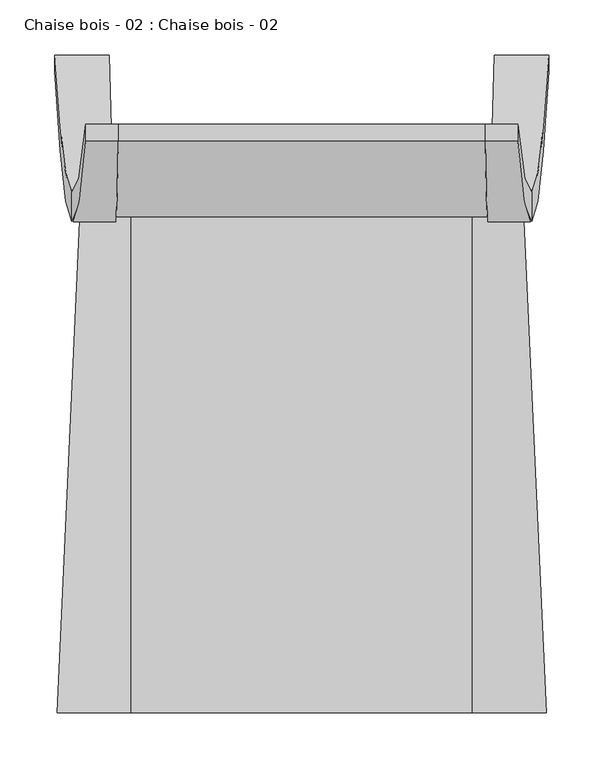
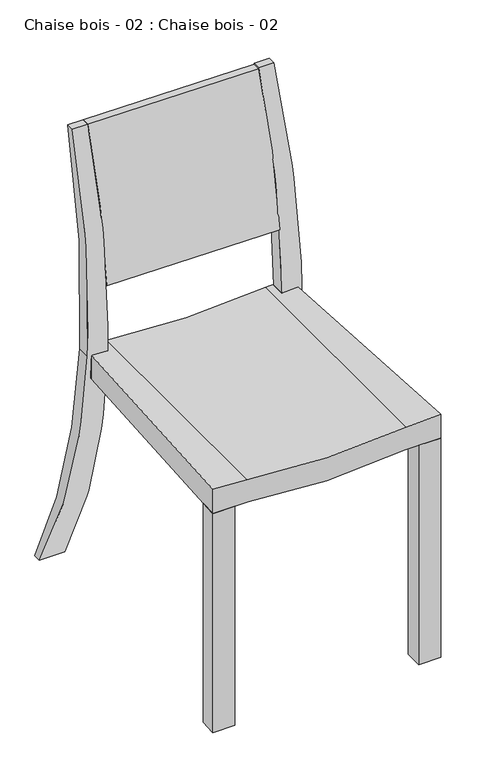
"""IFC4 building model written with IfcOpenShell, lengths in millimetres: furniture geometry, Chaise bois - 02 : Chaise bois - 02."""

import ifcopenshell
import ifcopenshell.guid

model = None  # the IFC model being written
_history = None  # IfcOwnerHistory: only IFC2X3 demands one
_inside = {}  # id of a spatial element -> (the spatial element, [elements in it])
_under = {}  # id of a project, library or spatial element -> (it, [spatial elements below it])
_declared = {}  # id of a project -> (the project, [libraries it declares])
_typed = {}  # id of a type object -> (the type object, [elements of that type])
_made_of = {}  # id of a material, layer set ... -> (it, [elements and type objects made of it])


def new_model(schema):
    """Start an empty IFC model of exactly this schema.

    Asked for "IFC4X3", IfcOpenShell would pick the latest addendum, in which some entities
    have other attributes; the version numbers below select the first issue.
    IFC2X3 requires an IfcOwnerHistory on every rooted entity: one is made here for all.
    """
    global model, _history
    if schema == "IFC4X3":
        model = ifcopenshell.file(schema_version=(4, 3, 0, 0))
    else:
        model = ifcopenshell.file(schema=schema)
    _inside.clear()
    _under.clear()
    _declared.clear()
    _typed.clear()
    _made_of.clear()
    _history = None
    if model.schema == "IFC2X3":
        org = make("IfcOrganization", Name="unknown")
        user = make(
            "IfcPersonAndOrganization",
            ThePerson=make("IfcPerson", FamilyName="unknown"),
            TheOrganization=org,
        )
        app = make(
            "IfcApplication",
            ApplicationDeveloper=org,
            Version="unknown",
            ApplicationFullName="unknown",
            ApplicationIdentifier="unknown",
        )
        _history = make(
            "IfcOwnerHistory",
            OwningUser=user,
            OwningApplication=app,
            ChangeAction="ADDED",
            CreationDate=0,
        )
    return model


def make(cls, **values):
    """One entity of the class cls with the attributes given. An attribute that is None is left unset."""
    return model.create_entity(
        cls, **{name: value for name, value in values.items() if value is not None}
    )


def rooted(cls, **values):
    """An entity with a GlobalId (a new one), such as an element, a storey or a relation."""
    return make(cls, GlobalId=ifcopenshell.guid.new(), OwnerHistory=_history, **values)


def si_unit(unit_type, name, prefix=None):
    """IfcSIUnit, for example si_unit("LENGTHUNIT", "METRE", prefix="MILLI")."""
    return make("IfcSIUnit", UnitType=unit_type, Prefix=prefix, Name=name)


def assignment(units):
    """IfcUnitAssignment: the units of a project."""
    return None if units is None else make("IfcUnitAssignment", Units=units)


def point(xyz):
    """IfcCartesianPoint."""
    return None if xyz is None else make("IfcCartesianPoint", Coordinates=xyz)


def direction(xyz):
    """IfcDirection."""
    return None if xyz is None else make("IfcDirection", DirectionRatios=xyz)


def frame(location, z_axis=None, x_axis=None):
    """IfcAxis2Placement3D, a coordinate frame: its origin and axes. An axis left out is left unset."""
    return make(
        "IfcAxis2Placement3D",
        Location=point(location),
        Axis=direction(z_axis),
        RefDirection=direction(x_axis),
    )


def origin():
    """The frame at (0, 0, 0) with its axes left unset."""
    return frame((0.0, 0.0, 0.0))


def origin_with_axes():
    """The frame at (0, 0, 0) with the z axis (0, 0, 1) and the x axis (1, 0, 0) written out."""
    return frame((0.0, 0.0, 0.0), z_axis=(0.0, 0.0, 1.0), x_axis=(1.0, 0.0, 0.0))


def place(relative_to, where):
    """IfcLocalPlacement: puts the frame where relative to a parent placement (None: the world)."""
    return make(
        "IfcLocalPlacement", PlacementRelTo=relative_to, RelativePlacement=where
    )


def context(
    kind, dimensions, precision=None, world=None, true_north=None, identifier=None
):
    """IfcGeometricRepresentationContext, for example the 3D "Model" context."""
    return make(
        "IfcGeometricRepresentationContext",
        ContextIdentifier=identifier,
        ContextType=kind,
        CoordinateSpaceDimension=dimensions,
        Precision=precision,
        WorldCoordinateSystem=world,
        TrueNorth=true_north,
    )


def project(units=None, contexts=None):
    """IfcProject with its units and contexts."""
    return rooted(
        "IfcProject",
        Name="project",
        RepresentationContexts=contexts,
        UnitsInContext=assignment(units),
    )


def spatial(cls, under=None, at=None, **own):
    """A site, building, storey or space (cls), placed at a placement, below another one or the project."""
    s = rooted(cls, ObjectPlacement=at, **own)
    if under is not None:
        _under.setdefault(under.id(), (under, []))[1].append(s)
    return s


def polyline(points):
    """IfcPolyline through the points."""
    return make("IfcPolyline", Points=[point(p) for p in points])


def circle_curve(where, radius):
    """IfcCircle in the frame where."""
    return make("IfcCircle", Position=where, Radius=radius)


def ellipse_curve(where, semi_axis1, semi_axis2):
    """IfcEllipse in the frame where."""
    return make(
        "IfcEllipse", Position=where, SemiAxis1=semi_axis1, SemiAxis2=semi_axis2
    )


def outline(outer, holes=None, kind="AREA"):
    """IfcArbitraryClosedProfileDef: a profile drawn as a closed curve; with holes, ...WithVoids."""
    if holes is None:
        return make("IfcArbitraryClosedProfileDef", ProfileType=kind, OuterCurve=outer)
    return make(
        "IfcArbitraryProfileDefWithVoids",
        ProfileType=kind,
        OuterCurve=outer,
        InnerCurves=holes,
    )


def extrude(swept, where, along, depth):
    """IfcExtrudedAreaSolid: the profile swept, set in the frame where, extruded along a direction by depth."""
    return make(
        "IfcExtrudedAreaSolid",
        SweptArea=swept,
        Position=where,
        ExtrudedDirection=direction(along),
        Depth=depth,
    )


def shape(context_of_items, identifier, shape_type, items):
    """IfcShapeRepresentation: the items that make up one representation, for example the "Body"."""
    return make(
        "IfcShapeRepresentation",
        ContextOfItems=context_of_items,
        RepresentationIdentifier=identifier,
        RepresentationType=shape_type,
        Items=items,
    )


def source(mapping_origin, context_of_items, identifier, shape_type, items):
    """IfcRepresentationMap: a shape defined once, which mapped items show again and again."""
    return make(
        "IfcRepresentationMap",
        MappingOrigin=mapping_origin,
        MappedRepresentation=shape(context_of_items, identifier, shape_type, items),
    )


def transform(
    local_origin,
    x_axis=None,
    y_axis=None,
    z_axis=None,
    scale=None,
    scale2=None,
    scale3=None,
    uniform=True,
):
    """IfcCartesianTransformationOperator3D, or its non-uniform kind. x_axis, y_axis, z_axis: its Axis1, 2, 3."""
    if uniform:
        return make(
            "IfcCartesianTransformationOperator3D",
            Axis1=direction(x_axis),
            Axis2=direction(y_axis),
            LocalOrigin=point(local_origin),
            Scale=scale,
            Axis3=direction(z_axis),
        )
    return make(
        "IfcCartesianTransformationOperator3DnonUniform",
        Axis1=direction(x_axis),
        Axis2=direction(y_axis),
        LocalOrigin=point(local_origin),
        Scale=scale,
        Axis3=direction(z_axis),
        Scale2=scale2,
        Scale3=scale3,
    )


def mapped(mapping_source, mapping_target):
    """IfcMappedItem: shows the shape of a source again, moved by a transform."""
    return make(
        "IfcMappedItem", MappingSource=mapping_source, MappingTarget=mapping_target
    )


def made_of(thing, what):
    """Note that an element or type object is made of a material, layer set ...; save() writes the relation."""
    if what is not None:
        _made_of.setdefault(what.id(), (what, []))[1].append(thing)
    return thing


def element(
    cls,
    number,
    at=None,
    inside=None,
    cuts=None,
    type_object=None,
    material=None,
    context=None,
    identifier="Body",
    shape_type=None,
    held_by="IfcProductDefinitionShape",
    body=None,
    shapes=None,
    **own,
):
    """One element of the class cls, such as IfcWall. Its Tag is "e" and its number.

    at: its placement. inside: the storey or other place that contains it. cuts: it is an
    opening in that element (IfcRelVoidsElement). A single representation is given by context,
    identifier, shape_type and body (its items); several are given by shapes. held_by: the class
    of the entity that holds the representations. save() writes the other relations.
    """
    e = rooted(cls, Tag="e%d" % number, ObjectPlacement=at, **own)
    if body is not None:
        shapes = [shape(context, identifier, shape_type, body)]
    if shapes is not None:
        e.Representation = make(held_by, Representations=shapes)
    if inside is not None:
        _inside.setdefault(inside.id(), (inside, []))[1].append(e)
    if cuts is not None:
        rooted(
            "IfcRelVoidsElement", RelatingBuildingElement=cuts, RelatedOpeningElement=e
        )
    if type_object is not None:
        _typed.setdefault(type_object.id(), (type_object, []))[1].append(e)
    return made_of(e, material)


def aggregate(whole, parts):
    """IfcRelAggregates: a whole, such as a stair, and the parts it consists of."""
    return rooted("IfcRelAggregates", RelatingObject=whole, RelatedObjects=parts)


def save(model, path):
    """Write the relations noted so far, then the file.

    IfcRelAggregates (storeys below a building ...), IfcRelContainedInSpatialStructure (elements
    in a storey), IfcRelDefinesByType, IfcRelAssociatesMaterial and IfcRelDeclares: one each for
    every whole, place, type object, material and project.
    """
    for whole, parts in _under.values():
        aggregate(whole, parts)
    for where, things in _inside.values():
        rooted(
            "IfcRelContainedInSpatialStructure",
            RelatedElements=things,
            RelatingStructure=where,
        )
    for kind, things in _typed.values():
        rooted("IfcRelDefinesByType", RelatedObjects=things, RelatingType=kind)
    for what, things in _made_of.values():
        rooted("IfcRelAssociatesMaterial", RelatedObjects=things, RelatingMaterial=what)
    for by, libraries in _declared.values():
        rooted("IfcRelDeclares", RelatingContext=by, RelatedDefinitions=libraries)
    model.write(path)


def plane_surface(at):
    """IfcPlane: the flat surface through the origin of the frame at, square to its z axis."""
    return make("IfcPlane", Position=at)


def cylinder_surface(at, radius):
    """IfcCylindricalSurface: all points at the distance radius from the z axis of the frame at."""
    return make("IfcCylindricalSurface", Position=at, Radius=radius)


def revolved_surface(curve, axis_point, axis_direction):
    """IfcSurfaceOfRevolution: the curve turned about the line through axis_point along axis_direction."""
    return make(
        "IfcSurfaceOfRevolution",
        SweptCurve=make("IfcArbitraryOpenProfileDef", ProfileType="CURVE", Curve=curve),
        AxisPosition=make("IfcAxis1Placement", Location=point(axis_point), Axis=direction(axis_direction)),
    )


def advanced_brep(points, edges, surfaces, faces):
    """IfcAdvancedBrep: a solid bounded by faces that lie on surfaces and meet in shared edges.

    An edge is (start, end): straight between two places in points (the first is 0);
    or (start, end, curve); or (start, end, curve, False) where it runs against its curve.
    A face is (place in surfaces, loops), or (place, loops, False) where it looks against
    its surface's normal. A loop lists edges by number (the first is 1), with a minus sign
    where the edge is run from its end to its start. The first loop is the outer one.
    """
    corners = [point(p) for p in points]
    vertices = [make("IfcVertexPoint", VertexGeometry=c) for c in corners]
    made = []
    for start, end, *more in edges:
        made.append(
            make(
                "IfcEdgeCurve",
                EdgeStart=vertices[start],
                EdgeEnd=vertices[end],
                EdgeGeometry=more[0] if more else make("IfcPolyline", Points=[corners[start], corners[end]]),
                SameSense=more[1] if len(more) > 1 else True,
            )
        )
    hull = []
    for where, loops, *sense in faces:
        bounds = []
        for j, loop in enumerate(loops):
            ring = [make("IfcOrientedEdge", EdgeElement=made[abs(k) - 1], Orientation=k > 0) for k in loop]
            bounds.append(
                make(
                    "IfcFaceOuterBound" if j == 0 else "IfcFaceBound",
                    Bound=make("IfcEdgeLoop", EdgeList=ring),
                    Orientation=True,
                )
            )
        hull.append(make("IfcAdvancedFace", Bounds=bounds, FaceSurface=surfaces[where], SameSense=sense[0] if sense else True))
    return make("IfcAdvancedBrep", Outer=make("IfcClosedShell", CfsFaces=hull))


def chaise_bois_02_chaise_bois_02_a8807d2b(model_context):
    return source(origin(), model_context, "Body", "SolidModel", [
        extrude(outline(polyline([(-179.6457845, 34.744), (-179.6457845, 0.0), (-222.6457845, 0.0), (-221.0522449, 34.744), (-179.6457845, 34.744)])), origin_with_axes(), (0.0, 0.0, 1.0), 453.04),
        extrude(outline(polyline([(179.6457845, 0.0), (179.6457845, 34.744), (221.0523225, 34.744), (222.6457845, 0.0), (179.6457845, 0.0)])), origin_with_axes(), (0.0, 0.0, 1.0), 453.04),
        advanced_brep(
        [(224.9236272, 584.1809027, 3.307), (175.2970931, 584.1809027, 3.307), (175.2970931, 598.919, 3.307), (224.9236272, 598.919, 3.307), (170.0540007, 474.0305027, 500.0249699), (167.062, 535.7344266, 922.805275), (196.7208922, 535.7344266, 922.805275), (209.6209787, 473.9604495, 502.2216956), (209.6209787, 447.4551966, 502.2216956), (196.7208922, 520.483749, 922.805275), (167.062, 520.483749, 922.805275), (170.0540007, 447.5154198, 500.0249699)],
        [
            (0, 1),
            (1, 2),
            (2, 3),
            (3, 0),
            (2, 4, ellipse_curve(frame((169.6358332, 1681.8359776, 539.6411561), z_axis=(-0.9999442956654316, 0.0, -0.010554883522048556), x_axis=(-0.0105548835220329, 0.0, 0.9999442956654316)), 1208.5223284, 1208.4550084)),
            (4, 5, ellipse_curve(frame((169.7736384, 1681.8359776, 539.6411561), z_axis=(-0.9999749592362469, 0.0, -0.007076786026603042), x_axis=(-0.007076786026602541, 0.0, 0.999974959236247)), 1208.4852698, 1208.4550084)),
            (5, 6),
            (6, 7, ellipse_curve(frame((208.4732537, 1681.8359776, 539.6411561), z_axis=(0.999529949707532, 0.0, 0.03065745647731723), x_axis=(-0.03065745647731804, 0.0, 0.9995299497075321)), 1209.0233102, 1208.4550084)),
            (7, 3, ellipse_curve(frame((208.4732537, 1681.8359776, 539.6411561), z_axis=(0.999529949707532, 0.0, 0.03065745647731721), x_axis=(-0.03065745647731806, 0.0, 0.999529949707532)), 1209.0233102, 1208.4550084)),
            (0, 8, ellipse_curve(frame((208.7440626, 1530.4189519, 530.8119297), z_axis=(-0.999529949707532, 0.0, -0.03065745647731721), x_axis=(0.03065745647731806, 0.0, -0.999529949707532)), 1083.8505448, 1083.3410805)),
            (8, 9, ellipse_curve(frame((208.7440626, 1530.4189519, 530.8119297), z_axis=(-0.999529949707532, 0.0, -0.03065745647731723), x_axis=(0.03065745647731804, 0.0, -0.9995299497075321)), 1083.8505448, 1083.3410805)),
            (9, 10),
            (10, 11, ellipse_curve(frame((169.8361225, 1530.4189519, 530.8119297), z_axis=(0.9999749592362469, 0.0, 0.007076786026603042), x_axis=(0.007076786026602541, 0.0, -0.999974959236247)), 1083.3682089, 1083.3410805)),
            (11, 1, ellipse_curve(frame((169.7290298, 1530.4189519, 530.8119297), z_axis=(0.9999442956654316, 0.0, 0.010554883522048556), x_axis=(0.0105548835220329, 0.0, -0.9999442956654316)), 1083.4014307, 1083.3410805)),
            (11, 4),
            (10, 5),
            (9, 6),
            (8, 7),
        ],
        [
            plane_surface(frame((269.6998521, 584.1809027, 3.307), z_axis=(0.0, 0.0, -1.0), x_axis=(-1.0, 0.0, 0.0))),
            revolved_surface(polyline([(156.88002078996203, 2890.290986, 539.6411561), (245.53883321251948, 2890.290986, 539.6411561)]), (-284.9147268, 1681.8359776, 539.6411561), (-1.0, 0.0, 0.0)),
            cylinder_surface(frame((-284.9147268, 1530.4189519, 530.8119297), z_axis=(1.0, 0.0, 0.0), x_axis=(0.0, 1.0, 0.0)), 1083.3410805),
            plane_surface(frame((175.332, -43.0, 0.0), z_axis=(-0.9999442956654316, 0.0, -0.010554883522048556), x_axis=(0.0, 1.0, 0.0))),
            plane_surface(frame((170.0540007, -43.0, 500.0249699), z_axis=(-0.9999749592362469, 0.0, -0.007076786026603042), x_axis=(0.0, 1.0, 0.0))),
            plane_surface(frame((167.062, -43.0, 922.805275), z_axis=(0.0, 0.0, 1.0), x_axis=(0.0, 1.0, 0.0))),
            plane_surface(frame((196.7208922, -43.0, 922.805275), z_axis=(0.999529949707532, 0.0, 0.03065745647731723), x_axis=(0.0, 1.0, 0.0))),
            plane_surface(frame((209.6209787, -43.0, 502.2216956), z_axis=(0.999529949707532, 0.0, 0.03065745647731721), x_axis=(0.0, 1.0, 0.0))),
        ],
        [
            (0, [[1, 2, 3, 4]]),
            (1, [[-3, 5, 6, 7, 8, 9]]),
            (2, [[-1, 10, 11, 12, 13, 14]]),
            (3, [[15, -5, -2, -14]]),
            (4, [[-15, -13, 16, -6]]),
            (5, [[-16, -12, 17, -7]]),
            (6, [[-17, -11, 18, -8]]),
            (7, [[-18, -10, -4, -9]]),
        ],
    ),
        advanced_brep(
        [(-175.2970931, 584.1809027, 3.307), (-224.9236272, 584.1809027, 3.307), (-224.9236272, 598.919, 3.307), (-175.2970931, 598.919, 3.307), (-209.6209787, 473.9604495, 502.2216956), (-196.7208922, 535.7344266, 922.805275), (-167.062, 535.7344266, 922.805275), (-170.0540007, 474.0305027, 500.0249699), (-170.0540007, 447.5154198, 500.0249699), (-167.062, 520.483749, 922.805275), (-196.7208922, 520.483749, 922.805275), (-209.6209787, 447.4551966, 502.2216956)],
        [
            (0, 1),
            (1, 2),
            (2, 3),
            (3, 0),
            (2, 4, ellipse_curve(frame((-208.4732537, 1681.8359776, 539.6411561), z_axis=(-0.999529949707532, 0.0, 0.03065745647731722), x_axis=(-0.030657456477318046, 0.0, -0.999529949707532)), 1209.0233102, 1208.4550084)),
            (4, 5, ellipse_curve(frame((-208.4732537, 1681.8359776, 539.6411561), z_axis=(-0.999529949707532, 0.0, 0.030657456477317213), x_axis=(-0.030657456477318053, 0.0, -0.9995299497075318)), 1209.0233102, 1208.4550084)),
            (5, 6),
            (6, 7, ellipse_curve(frame((-169.7736384, 1681.8359776, 539.6411561), z_axis=(0.9999749592362467, 0.0, -0.007076786026637941), x_axis=(-0.007076786026630396, 0.0, -0.9999749592362468)), 1208.4852698, 1208.4550084)),
            (7, 3, ellipse_curve(frame((-169.6358332, 1681.8359776, 539.6411561), z_axis=(0.9999442956654323, 0.0, -0.01055488352198788), x_axis=(-0.010554883521967356, 0.0, -0.9999442956654324)), 1208.5223284, 1208.4550084)),
            (0, 8, ellipse_curve(frame((-169.7290298, 1530.4189519, 530.8119297), z_axis=(-0.9999442956654323, 0.0, 0.01055488352198788), x_axis=(0.010554883521967356, 0.0, 0.9999442956654324)), 1083.4014307, 1083.3410805)),
            (8, 9, ellipse_curve(frame((-169.8361225, 1530.4189519, 530.8119297), z_axis=(-0.9999749592362467, 0.0, 0.007076786026637941), x_axis=(0.007076786026630396, 0.0, 0.9999749592362468)), 1083.3682089, 1083.3410805)),
            (9, 10),
            (10, 11, ellipse_curve(frame((-208.7440626, 1530.4189519, 530.8119297), z_axis=(0.999529949707532, 0.0, -0.030657456477317213), x_axis=(0.030657456477318053, 0.0, 0.9995299497075318)), 1083.8505448, 1083.3410805)),
            (11, 1, ellipse_curve(frame((-208.7440626, 1530.4189519, 530.8119297), z_axis=(0.999529949707532, 0.0, -0.03065745647731722), x_axis=(0.030657456477318046, 0.0, 0.999529949707532)), 1083.8505448, 1083.3410805)),
            (4, 11),
            (10, 5),
            (9, 6),
            (8, 7),
        ],
        [
            plane_surface(frame((269.6998521, 584.1809027, 3.307), z_axis=(0.0, 0.0, -1.0), x_axis=(-1.0, 0.0, 0.0))),
            revolved_surface(polyline([(-245.53883321251948, 2890.290986, 539.6411561), (-156.88002079004121, 2890.290986, 539.6411561)]), (-284.9147268, 1681.8359776, 539.6411561), (-1.0, 0.0, 0.0)),
            cylinder_surface(frame((-284.9147268, 1530.4189519, 530.8119297), z_axis=(1.0, 0.0, 0.0), x_axis=(0.0, 1.0, 0.0)), 1083.3410805),
            plane_surface(frame((-209.6209787, -43.0, 502.2216956), z_axis=(-0.999529949707532, 0.0, 0.030657456477317213), x_axis=(0.0, 1.0, 0.0))),
            plane_surface(frame((-196.7208922, -43.0, 922.805275), z_axis=(0.0, 0.0, 1.0), x_axis=(0.0, 1.0, 0.0))),
            plane_surface(frame((-167.062, -43.0, 922.805275), z_axis=(0.9999749592362467, 0.0, -0.007076786026637941), x_axis=(0.0, 1.0, 0.0))),
            plane_surface(frame((-170.0540007, -43.0, 500.0249699), z_axis=(0.9999442956654323, 0.0, -0.01055488352198788), x_axis=(0.0, 1.0, 0.0))),
            plane_surface(frame((-230.4680491, -43.0, -177.4586702), z_axis=(-0.999529949707532, 0.0, 0.03065745647731722), x_axis=(0.0, 1.0, 0.0))),
        ],
        [
            (0, [[1, 2, 3, 4]]),
            (1, [[-3, 5, 6, 7, 8, 9]]),
            (2, [[-1, 10, 11, 12, 13, 14]]),
            (3, [[15, -13, 16, -6]]),
            (4, [[-16, -12, 17, -7]]),
            (5, [[-17, -11, 18, -8]]),
            (6, [[-18, -10, -4, -9]]),
            (7, [[-15, -5, -2, -14]]),
        ],
    ),
        advanced_brep(
        [(-222.6457845, 0.0, 453.04), (-179.6457845, 0.0, 453.04), (-153.3625843, 0.0, 453.04), (153.3625843, 0.0, 453.04), (179.6457845, 0.0, 453.04), (222.6457845, 0.0, 453.04), (222.6457845, 0.0, 502.944822), (155.483, 0.0, 499.216), (-155.483, 0.0, 499.216), (-222.6457845, 0.0, 502.944822), (-155.483, 476.488, 499.216), (155.483, 476.488, 499.216), (200.7926448, 476.488, 501.7315539), (200.7926448, 476.488, 453.04), (179.6457845, 476.488, 453.04), (153.3625843, 476.488, 453.04), (-153.3625843, 476.488, 453.04), (-179.6457845, 476.488, 453.04), (-200.7915799, 476.488, 453.04), (-200.7915799, 476.488, 501.7314947), (-202.123, 447.459, 453.04), (202.124, 447.459, 453.04), (202.124, 447.459, 501.8054696), (-202.123, 447.459, 501.8054141)],
        [
            (0, 1),
            (1, 2),
            (2, 3, circle_curve(frame((0.0, 0.0, 1620.8639519), z_axis=(0.0, -1.0, 0.0), x_axis=(1.0, 0.0, 0.0)), 1177.8509519)),
            (3, 4),
            (4, 5),
            (5, 6),
            (6, 7),
            (7, 8, circle_curve(frame((0.0, 0.0, 1957.3962887), z_axis=(0.0, 1.0, 0.0), x_axis=(1.0, 0.0, 0.0)), 1466.4462887)),
            (8, 9),
            (9, 0),
            (10, 11, circle_curve(frame((0.0, 476.488, 1957.3962887), z_axis=(0.0, -1.0, 0.0), x_axis=(1.0, 0.0, 0.0)), 1466.4462887)),
            (11, 12),
            (12, 13),
            (13, 14),
            (14, 15),
            (15, 16, circle_curve(frame((0.0, 476.488, 1620.8639519), z_axis=(0.0, 1.0, 0.0), x_axis=(1.0, 0.0, 0.0)), 1177.8509519)),
            (16, 17),
            (17, 18),
            (18, 19),
            (19, 10),
            (0, 20),
            (20, 18),
            (17, 1),
            (16, 2),
            (15, 3),
            (14, 4),
            (13, 21),
            (21, 5),
            (6, 22),
            (22, 12),
            (11, 7),
            (10, 8),
            (19, 23),
            (23, 9),
            (20, 23),
            (22, 21),
        ],
        [
            plane_surface(frame((-222.6457845, 0.0, 453.04), z_axis=(0.0, -1.0, 0.0), x_axis=(0.0, 0.0, -1.0))),
            plane_surface(frame((-222.6457845, 476.488, 453.04), z_axis=(0.0, 1.0, 0.0), x_axis=(0.0, 0.0, 1.0))),
            plane_surface(frame((-222.6457845, 0.0, 453.04), z_axis=(0.0, 0.0, -1.0), x_axis=(0.0, 1.0, 0.0))),
            plane_surface(frame((-179.6457845, 0.0, 453.04), z_axis=(0.0, 0.0, -1.0), x_axis=(0.0, 1.0, 0.0))),
            cylinder_surface(frame((0.0, 476.488, 1620.8639519), z_axis=(0.0, -1.0, 0.0), x_axis=(1.0, 0.0, 0.0)), 1177.8509519),
            plane_surface(frame((153.3625843, 0.0, 453.04), z_axis=(0.0, 0.0, -1.0), x_axis=(0.0, 1.0, 0.0))),
            plane_surface(frame((179.6457845, 0.0, 453.04), z_axis=(0.0, 0.0, -1.0), x_axis=(0.0, 1.0, 0.0))),
            plane_surface(frame((222.6457845, 0.0, 502.944822), z_axis=(-0.055433801494316516, 0.0, 0.9984623646647323), x_axis=(0.0, 1.0, 0.0))),
            revolved_surface(polyline([(1466.4462887, 476.488, 1957.3962887), (1466.4462887, 0.0, 1957.3962887)]), (0.0, 476.488, 1957.3962887), (0.0, 1.0, 0.0)),
            plane_surface(frame((-155.483, 0.0, 499.216), z_axis=(0.055433801494308495, 0.0, 0.9984623646647327), x_axis=(0.0, 1.0, 0.0))),
            plane_surface(frame((-202.123, 447.459, 708.9557379), z_axis=(-0.9989498494941665, 0.04581700771091594, 0.0), x_axis=(0.0, 0.0, -1.0))),
            plane_surface(frame((193.8773396, 627.2699913, 708.9557379), z_axis=(0.998949951670504, 0.04581477990231496, 0.0), x_axis=(0.0, 0.0, -1.0))),
            plane_surface(frame((202.124, 447.459, 708.9557379), z_axis=(0.998949951670504, 0.045814779902315125, 0.0), x_axis=(0.0, 0.0, -1.0))),
            plane_surface(frame((-222.6457845, 0.0, 708.9557379), z_axis=(-0.9989498494941665, 0.04581700771091578, 0.0), x_axis=(0.0, 0.0, -1.0))),
        ],
        [
            (0, [[1, 2, 3, 4, 5, 6, 7, 8, 9, 10]]),
            (1, [[11, 12, 13, 14, 15, 16, 17, 18, 19, 20]]),
            (2, [[-1, 21, 22, -18, 23]]),
            (3, [[-2, -23, -17, 24]]),
            (4, [[-3, -24, -16, 25]]),
            (5, [[-4, -25, -15, 26]]),
            (6, [[-5, -26, -14, 27, 28]]),
            (7, [[-7, 29, 30, -12, 31]]),
            (8, [[-8, -31, -11, 32]]),
            (9, [[-9, -32, -20, 33, 34]]),
            (10, [[35, -33, -19, -22]]),
            (11, [[36, -27, -13, -30]]),
            (12, [[-36, -29, -6, -28]]),
            (13, [[-35, -21, -10, -34]]),
        ],
    ),
        advanced_brep(
        [(-167.062, 520.2637315, 922.805277), (-167.062, 535.7344232, 922.805277), (-169.1260061, 476.85094, 631.1538985), (-169.1260061, 451.6822204, 631.1538985), (169.1428344, 451.6822204, 628.7599824), (167.0777417, 520.2637315, 920.4405823), (169.1428344, 476.85094, 628.7599824), (167.0777417, 535.7344232, 920.4405823)],
        [
            (0, 1),
            (1, 2, circle_curve(frame((-169.7736374, 1681.8941005, 539.6412969), z_axis=(0.9999749592362467, 0.0, -0.007076786026638103), x_axis=(-0.000231990271192452, -0.9994625301013882, -0.03278104793696645)), 1208.5131337)),
            (2, 3),
            (3, 0, circle_curve(frame((-169.8321061, 1530.470294, 531.3794559), z_axis=(-0.9999749592362468, 0.0, 0.007076786026638103), x_axis=(0.0025605874178329666, -0.9322444270823081, 0.36182008176171593)), 1083.3924247)),
            (3, 4),
            (4, 5, ellipse_curve(frame((169.8493062, 1530.470294, 528.975543), z_axis=(-0.9999749378861258, 0.0, -0.007079802231631731), x_axis=(0.007079802231623589, 0.0, -0.9999749378861258)), 1083.5009963, 1083.3924247)),
            (5, 0),
            (2, 6),
            (6, 4),
            (1, 7),
            (7, 6, ellipse_curve(frame((169.7908067, 1681.8941005, 537.2382119), z_axis=(0.9999749378861258, 0.0, 0.007079802231631731), x_axis=(-0.007079802231623589, 0.0, 0.9999749378861257)), 1208.6342443, 1208.5131337)),
            (5, 7),
        ],
        [
            plane_surface(frame((-167.0579851, 520.4837438, 923.3725916), z_axis=(-0.9999749592362468, 0.0, 0.007076786026637942), x_axis=(0.006597294334987171, 0.3618291422397858, 0.9322210829698492))),
            cylinder_surface(frame((-169.8321061, 1530.470294, 531.3794559), z_axis=(0.9999749592362468, 0.0, -0.007076786026638103), x_axis=(0.0025605874178329666, -0.9322444270823081, 0.36182008176171593)), 1083.3924247),
            plane_surface(frame((184.488376, 451.6822204, 628.6513825), z_axis=(-0.007076786026638094, 0.0, -0.9999749592362467), x_axis=(-0.9999749592362467, 0.0, 0.007076786026638094))),
            revolved_surface(polyline([(-170.05400070707284, 474.03050623144077, 500.02496993185025), (186.61972368744534, 474.03050623144077, 497.50080309592073)]), (-169.7736374, 1681.8941005, 539.6412969), (-0.9999749592362467, 0.0, 0.007076786026638103)),
            plane_surface(frame((186.552382, 535.7344232, 920.302761), z_axis=(0.007076786026638094, 0.0, 0.9999749592362467), x_axis=(-0.9999749592362467, 0.0, 0.007076786026638094))),
            plane_surface(frame((167.061, -43.0, 922.8052375), z_axis=(0.9999749378861258, 0.0, 0.007079802231631731), x_axis=(0.0, 1.0, 0.0))),
        ],
        [
            (0, [[1, 2, 3, 4]]),
            (1, [[-4, 5, 6, 7]]),
            (2, [[-3, 8, 9, -5]]),
            (3, [[-2, 10, 11, -8]]),
            (4, [[-1, -7, 12, -10]]),
            (5, [[-6, -9, -11, -12]]),
        ],
    ),
    ])


if __name__ == "__main__":
    model = new_model("IFC4")
    model_context = context("Model", 3, world=origin())
    ifc_project = project(units=[si_unit("LENGTHUNIT", "METRE", prefix="MILLI")], contexts=[model_context])
    site = spatial("IfcSite", under=ifc_project)
    building = spatial("IfcBuilding", under=site)
    placement = place(None, origin())
    chaise_bois_02_chaise_bois_02_shape = chaise_bois_02_chaise_bois_02_a8807d2b(model_context)
    element("IfcFurniture", 1, ObjectType="Chaise bois - 02 : Chaise bois - 02", at=placement, inside=building, context=model_context, shape_type="MappedRepresentation", body=[
        mapped(chaise_bois_02_chaise_bois_02_shape, transform((0.0, 0.0, 0.0), x_axis=(1.0, 0.0, 0.0), y_axis=(0.0, 1.0, 0.0), z_axis=(0.0, 0.0, 1.0))),
    ])
    save(model, "model.ifc")
